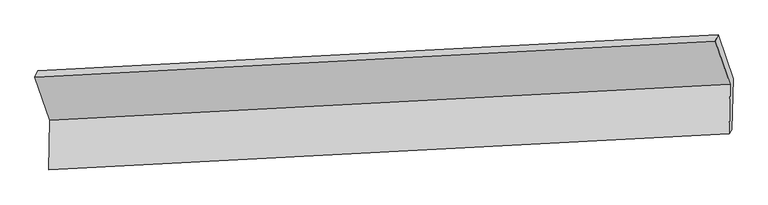
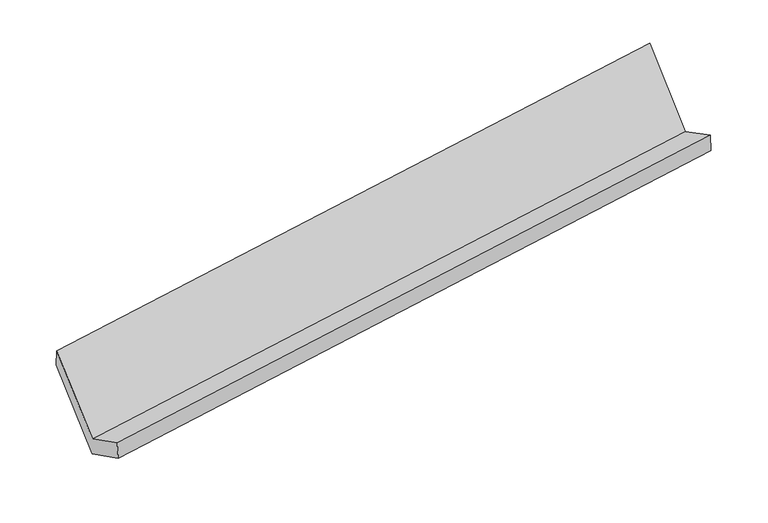
"""IFC4 building model written with IfcOpenShell, lengths in millimetres: proxy geometry."""

import ifcopenshell
import ifcopenshell.guid

model = None  # the IFC model being written
_history = None  # IfcOwnerHistory: only IFC2X3 demands one
_inside = {}  # id of a spatial element -> (the spatial element, [elements in it])
_under = {}  # id of a project, library or spatial element -> (it, [spatial elements below it])
_declared = {}  # id of a project -> (the project, [libraries it declares])
_typed = {}  # id of a type object -> (the type object, [elements of that type])
_made_of = {}  # id of a material, layer set ... -> (it, [elements and type objects made of it])


def new_model(schema):
    """Start an empty IFC model of exactly this schema.

    Asked for "IFC4X3", IfcOpenShell would pick the latest addendum, in which some entities
    have other attributes; the version numbers below select the first issue.
    IFC2X3 requires an IfcOwnerHistory on every rooted entity: one is made here for all.
    """
    global model, _history
    if schema == "IFC4X3":
        model = ifcopenshell.file(schema_version=(4, 3, 0, 0))
    else:
        model = ifcopenshell.file(schema=schema)
    _inside.clear()
    _under.clear()
    _declared.clear()
    _typed.clear()
    _made_of.clear()
    _history = None
    if model.schema == "IFC2X3":
        org = make("IfcOrganization", Name="unknown")
        user = make(
            "IfcPersonAndOrganization",
            ThePerson=make("IfcPerson", FamilyName="unknown"),
            TheOrganization=org,
        )
        app = make(
            "IfcApplication",
            ApplicationDeveloper=org,
            Version="unknown",
            ApplicationFullName="unknown",
            ApplicationIdentifier="unknown",
        )
        _history = make(
            "IfcOwnerHistory",
            OwningUser=user,
            OwningApplication=app,
            ChangeAction="ADDED",
            CreationDate=0,
        )
    return model


def make(cls, **values):
    """One entity of the class cls with the attributes given. An attribute that is None is left unset."""
    return model.create_entity(
        cls, **{name: value for name, value in values.items() if value is not None}
    )


def rooted(cls, **values):
    """An entity with a GlobalId (a new one), such as an element, a storey or a relation."""
    return make(cls, GlobalId=ifcopenshell.guid.new(), OwnerHistory=_history, **values)


def si_unit(unit_type, name, prefix=None):
    """IfcSIUnit, for example si_unit("LENGTHUNIT", "METRE", prefix="MILLI")."""
    return make("IfcSIUnit", UnitType=unit_type, Prefix=prefix, Name=name)


def assignment(units):
    """IfcUnitAssignment: the units of a project."""
    return None if units is None else make("IfcUnitAssignment", Units=units)


def point(xyz):
    """IfcCartesianPoint."""
    return None if xyz is None else make("IfcCartesianPoint", Coordinates=xyz)


def direction(xyz):
    """IfcDirection."""
    return None if xyz is None else make("IfcDirection", DirectionRatios=xyz)


def frame(location, z_axis=None, x_axis=None):
    """IfcAxis2Placement3D, a coordinate frame: its origin and axes. An axis left out is left unset."""
    return make(
        "IfcAxis2Placement3D",
        Location=point(location),
        Axis=direction(z_axis),
        RefDirection=direction(x_axis),
    )


def origin():
    """The frame at (0, 0, 0) with its axes left unset."""
    return frame((0.0, 0.0, 0.0))


def place(relative_to, where):
    """IfcLocalPlacement: puts the frame where relative to a parent placement (None: the world)."""
    return make(
        "IfcLocalPlacement", PlacementRelTo=relative_to, RelativePlacement=where
    )


def context(
    kind, dimensions, precision=None, world=None, true_north=None, identifier=None
):
    """IfcGeometricRepresentationContext, for example the 3D "Model" context."""
    return make(
        "IfcGeometricRepresentationContext",
        ContextIdentifier=identifier,
        ContextType=kind,
        CoordinateSpaceDimension=dimensions,
        Precision=precision,
        WorldCoordinateSystem=world,
        TrueNorth=true_north,
    )


def project(units=None, contexts=None):
    """IfcProject with its units and contexts."""
    return rooted(
        "IfcProject",
        Name="project",
        RepresentationContexts=contexts,
        UnitsInContext=assignment(units),
    )


def spatial(cls, under=None, at=None, **own):
    """A site, building, storey or space (cls), placed at a placement, below another one or the project."""
    s = rooted(cls, ObjectPlacement=at, **own)
    if under is not None:
        _under.setdefault(under.id(), (under, []))[1].append(s)
    return s


def faces_of(points, faces, orient=None, outer=None):
    """IfcFace entities. A face is a list of loops; a loop is a list of indices into points, from 0.

    orient and outer hold one flag for each loop. By default every Orientation is true, the
    first loop of a face is its IfcFaceOuterBound and the others are IfcFaceBound.
    """
    made = []
    for i, loops in enumerate(faces):
        bounds = []
        for j, loop in enumerate(loops):
            is_outer = j == 0 if outer is None else outer[i][j]
            bounds.append(
                make(
                    "IfcFaceOuterBound" if is_outer else "IfcFaceBound",
                    Bound=make("IfcPolyLoop", Polygon=[points[k] for k in loop]),
                    Orientation=True if orient is None else orient[i][j],
                )
            )
        made.append(make("IfcFace", Bounds=bounds))
    return made


def faceted_brep(points, faces, orient=None, outer=None, voids=None):
    """IfcFacetedBrep: a solid bounded by flat faces; with voids (closed shells), ...WithVoids."""
    shared = [point(p) for p in points]
    hull = make("IfcClosedShell", CfsFaces=faces_of(shared, faces, orient, outer))
    if voids is None:
        return make("IfcFacetedBrep", Outer=hull)
    return make(
        "IfcFacetedBrepWithVoids",
        Outer=hull,
        Voids=[
            make(cls, CfsFaces=faces_of(shared, fs, o, b)) for cls, fs, o, b in voids
        ],
    )


def shape(context_of_items, identifier, shape_type, items):
    """IfcShapeRepresentation: the items that make up one representation, for example the "Body"."""
    return make(
        "IfcShapeRepresentation",
        ContextOfItems=context_of_items,
        RepresentationIdentifier=identifier,
        RepresentationType=shape_type,
        Items=items,
    )


def source(mapping_origin, context_of_items, identifier, shape_type, items):
    """IfcRepresentationMap: a shape defined once, which mapped items show again and again."""
    return make(
        "IfcRepresentationMap",
        MappingOrigin=mapping_origin,
        MappedRepresentation=shape(context_of_items, identifier, shape_type, items),
    )


def transform(
    local_origin,
    x_axis=None,
    y_axis=None,
    z_axis=None,
    scale=None,
    scale2=None,
    scale3=None,
    uniform=True,
):
    """IfcCartesianTransformationOperator3D, or its non-uniform kind. x_axis, y_axis, z_axis: its Axis1, 2, 3."""
    if uniform:
        return make(
            "IfcCartesianTransformationOperator3D",
            Axis1=direction(x_axis),
            Axis2=direction(y_axis),
            LocalOrigin=point(local_origin),
            Scale=scale,
            Axis3=direction(z_axis),
        )
    return make(
        "IfcCartesianTransformationOperator3DnonUniform",
        Axis1=direction(x_axis),
        Axis2=direction(y_axis),
        LocalOrigin=point(local_origin),
        Scale=scale,
        Axis3=direction(z_axis),
        Scale2=scale2,
        Scale3=scale3,
    )


def mapped(mapping_source, mapping_target):
    """IfcMappedItem: shows the shape of a source again, moved by a transform."""
    return make(
        "IfcMappedItem", MappingSource=mapping_source, MappingTarget=mapping_target
    )


def made_of(thing, what):
    """Note that an element or type object is made of a material, layer set ...; save() writes the relation."""
    if what is not None:
        _made_of.setdefault(what.id(), (what, []))[1].append(thing)
    return thing


def element(
    cls,
    number,
    at=None,
    inside=None,
    cuts=None,
    type_object=None,
    material=None,
    context=None,
    identifier="Body",
    shape_type=None,
    held_by="IfcProductDefinitionShape",
    body=None,
    shapes=None,
    **own,
):
    """One element of the class cls, such as IfcWall. Its Tag is "e" and its number.

    at: its placement. inside: the storey or other place that contains it. cuts: it is an
    opening in that element (IfcRelVoidsElement). A single representation is given by context,
    identifier, shape_type and body (its items); several are given by shapes. held_by: the class
    of the entity that holds the representations. save() writes the other relations.
    """
    e = rooted(cls, Tag="e%d" % number, ObjectPlacement=at, **own)
    if body is not None:
        shapes = [shape(context, identifier, shape_type, body)]
    if shapes is not None:
        e.Representation = make(held_by, Representations=shapes)
    if inside is not None:
        _inside.setdefault(inside.id(), (inside, []))[1].append(e)
    if cuts is not None:
        rooted(
            "IfcRelVoidsElement", RelatingBuildingElement=cuts, RelatedOpeningElement=e
        )
    if type_object is not None:
        _typed.setdefault(type_object.id(), (type_object, []))[1].append(e)
    return made_of(e, material)


def aggregate(whole, parts):
    """IfcRelAggregates: a whole, such as a stair, and the parts it consists of."""
    return rooted("IfcRelAggregates", RelatingObject=whole, RelatedObjects=parts)


def save(model, path):
    """Write the relations noted so far, then the file.

    IfcRelAggregates (storeys below a building ...), IfcRelContainedInSpatialStructure (elements
    in a storey), IfcRelDefinesByType, IfcRelAssociatesMaterial and IfcRelDeclares: one each for
    every whole, place, type object, material and project.
    """
    for whole, parts in _under.values():
        aggregate(whole, parts)
    for where, things in _inside.values():
        rooted(
            "IfcRelContainedInSpatialStructure",
            RelatedElements=things,
            RelatingStructure=where,
        )
    for kind, things in _typed.values():
        rooted("IfcRelDefinesByType", RelatedObjects=things, RelatingType=kind)
    for what, things in _made_of.values():
        rooted("IfcRelAssociatesMaterial", RelatedObjects=things, RelatingMaterial=what)
    for by, libraries in _declared.values():
        rooted("IfcRelDeclares", RelatingContext=by, RelatedDefinitions=libraries)
    model.write(path)


def generic_models_c490bd4b(model_context):
    return source(origin(), model_context, "Body", "Brep", [
        faceted_brep([(-5262.2203356, -1637.3879409, 1382.9761362), (-5269.7763145, -1991.6683055, 1567.0145889), (-412.7248342, -1734.7881266, 2293.4763946), (-405.1688554, -1380.507762, 2109.4379418), (-5248.5135635, -1963.8384781, 1414.7505664), (-391.4620832, -1706.9582992, 2141.2123721), (-5240.7075437, -1597.8343393, 1224.6219504), (-383.6560634, -1340.9541604, 1951.083756), (-5347.9718618, -1285.2939267, 1821.8691166), (-490.9203816, -1028.4137478, 2548.3309222), (-5368.0804028, -1328.9391515, 1972.4044404), (-511.0289225, -1072.0589726, 2698.8662461)], [[[0, 1, 2, 3]], [[1, 4, 5, 2]], [[4, 6, 7, 5]], [[6, 8, 9, 7]], [[8, 10, 11, 9]], [[10, 0, 3, 11]], [[9, 11, 3, 2, 5, 7]], [[0, 10, 8, 6, 4, 1]]]),
    ])


if __name__ == "__main__":
    model = new_model("IFC4")
    model_context = context("Model", 3, world=origin())
    ifc_project = project(units=[si_unit("LENGTHUNIT", "METRE", prefix="MILLI")], contexts=[model_context])
    site = spatial("IfcSite", under=ifc_project)
    building = spatial("IfcBuilding", under=site)
    placement = place(None, origin())
    generic_models_shape = generic_models_c490bd4b(model_context)
    element("IfcBuildingElementProxy", 1, Name="Generic Models", at=placement, inside=building, context=model_context, shape_type="MappedRepresentation", body=[
        mapped(generic_models_shape, transform((0.0, 0.0, 0.0), x_axis=(1.0, 0.0, 0.0), y_axis=(0.0, 1.0, 0.0), z_axis=(0.0, 0.0, 1.0))),
    ])
    save(model, "model.ifc")
